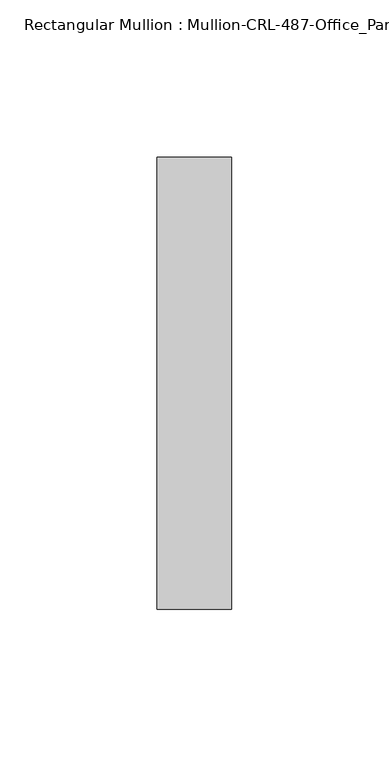
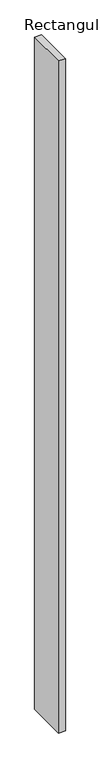
"""IFC4 building model written with IfcOpenShell, lengths in millimetres: member geometry, Rectangular Mullion : Mullion-CRL-487-Office_Partition-Cased."""

from ifc_helpers import new_model, si_unit, frame, origin, place, context, project, spatial, polyline, outline, extrude, source, transform, mapped, element, save


def rectangular_mullion_mullion_crl_487_office_partition_cased_db937580(model_context):
    return source(origin(), model_context, "Body", "SweptSolid", [
        extrude(outline(polyline([(0.0, -71.9452143), (-23.7998, -71.9452143), (-23.7998, 71.9452142), (0.0, 71.9452142), (0.0, -71.9452143)])), frame((0.0, 0.0, -2476.5), z_axis=(0.0, 0.0, 1.0), x_axis=(1.0, 0.0, 0.0)), (0.0, 0.0, 1.0), 2476.5),
    ])


if __name__ == "__main__":
    model = new_model("IFC4")
    model_context = context("Model", 3, world=origin())
    ifc_project = project(units=[si_unit("LENGTHUNIT", "METRE", prefix="MILLI")], contexts=[model_context])
    site = spatial("IfcSite", under=ifc_project)
    building = spatial("IfcBuilding", under=site)
    placement = place(None, origin())
    rectangular_mullion_mullion_crl_487_office_partition_cased_shape = rectangular_mullion_mullion_crl_487_office_partition_cased_db937580(model_context)
    element("IfcMember", 1, ObjectType="Rectangular Mullion : Mullion-CRL-487-Office_Partition-Cased", at=placement, inside=building, context=model_context, shape_type="MappedRepresentation", body=[
        mapped(rectangular_mullion_mullion_crl_487_office_partition_cased_shape, transform((0.0, 0.0, 0.0), x_axis=(1.0, 0.0, 0.0), y_axis=(0.0, 1.0, 0.0), z_axis=(0.0, 0.0, 1.0))),
    ])
    save(model, "model.ifc")
